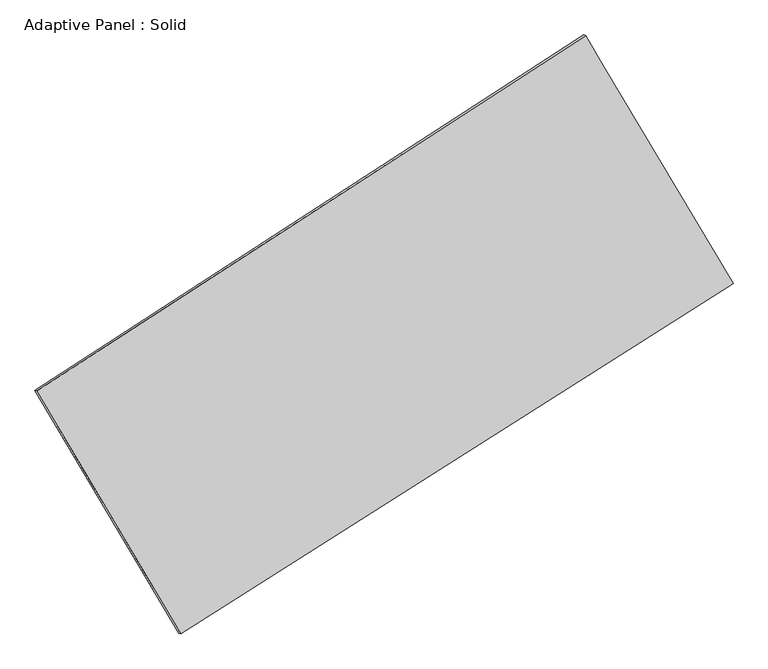
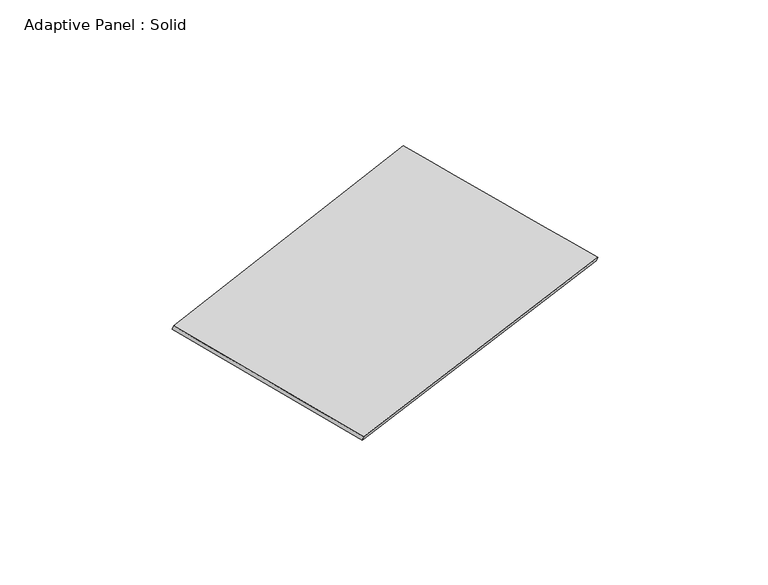
"""IFC4 building model written with IfcOpenShell, lengths in millimetres: plate geometry, Adaptive Panel : Solid."""

from ifc_helpers import new_model, si_unit, frame, origin, place, context, project, spatial, source, transform, mapped, element, save
from ifc_brep_helpers import plane_surface, spline_surface, advanced_brep


def adaptive_panel_solid_495b21f6(model_context):
    return source(origin(), model_context, "Body", "AdvancedBrep", [
        advanced_brep(
        [(1130.7804544, 2556.220488, 672.3195649), (-3720.6702369, -588.2812108, 1761.1662975), (-3706.003881, -594.6613042, 1808.5392055), (1145.4468102, 2549.8403945, 719.6924729), (-2448.1034175, -2733.9786006, 1067.7445363), (-2433.4370617, -2740.3586941, 1115.1174444), (2434.7026219, 365.7907506, -16.1078785), (2449.3689777, 359.4106571, 31.2650295)],
        [
            (0, 1),
            (1, 2),
            (2, 3),
            (3, 0),
            (1, 4),
            (4, 5),
            (5, 2),
            (4, 6),
            (6, 7),
            (7, 5),
            (6, 0),
            (3, 7),
        ],
        [
            plane_surface(frame((-1294.9448912, 983.9696386, 1216.7429312), z_axis=(-0.4828036680600399, 0.8356137838133678, 0.26201187455700825), x_axis=(-0.8246515813381153, -0.534503690417015, 0.18508261487005676))),
            plane_surface(frame((-3084.3868272, -1661.1299057, 1414.4554169), z_axis=(-0.8193284518226482, -0.5442143717575368, 0.18036520065259842), x_axis=(0.4914785966797841, -0.828690742243897, -0.26780672643705045))),
            plane_surface(frame((-6.7003978, -1184.093925, 525.8183289), z_axis=(0.4756044805146204, -0.840231878838769, -0.26040500743551503), x_axis=(0.8298009911004263, 0.5267855530387727, -0.1841936379964981))),
            plane_surface(frame((1782.7415381, 1461.0056193, 328.1058432), z_axis=(0.8192453197938466, 0.5443542776086215, -0.18032062124192616), x_axis=(-0.4938203684045793, 0.8295578117027516, 0.260720694981637))),
            spline_surface(1, 1, [[(-3706.003881, -594.6613042, 1808.5392055), (1145.4468102, 2549.8403945, 719.6924729)], [(-2433.4370617, -2740.3586941, 1115.1174444), (2449.3689777, 359.4106571, 31.2650295)]], [2, 2], [2, 2], [0.0, 1.0], [0.0, 1.0]),
            spline_surface(1, 1, [[(2434.7026219, 365.7907506, -16.1078785), (1130.7804544, 2556.220488, 672.3195649)], [(-2448.1034175, -2733.9786006, 1067.7445363), (-3720.6702369, -588.2812108, 1761.1662975)]], [2, 2], [2, 2], [0.0, 1.0], [0.0, 1.0]),
        ],
        [
            (0, [[1, 2, 3, 4]]),
            (1, [[5, 6, 7, -2]]),
            (2, [[8, 9, 10, -6]]),
            (3, [[11, -4, 12, -9]]),
            (4, [[-3, -7, -10, -12]]),
            (5, [[-11, -8, -5, -1]]),
        ],
    ),
    ])


if __name__ == "__main__":
    model = new_model("IFC4")
    model_context = context("Model", 3, world=origin())
    ifc_project = project(units=[si_unit("LENGTHUNIT", "METRE", prefix="MILLI")], contexts=[model_context])
    site = spatial("IfcSite", under=ifc_project)
    building = spatial("IfcBuilding", under=site)
    placement = place(None, origin())
    adaptive_panel_solid_shape = adaptive_panel_solid_495b21f6(model_context)
    element("IfcPlate", 1, ObjectType="Adaptive Panel : Solid", at=placement, inside=building, context=model_context, shape_type="MappedRepresentation", body=[
        mapped(adaptive_panel_solid_shape, transform((0.0, 0.0, 0.0), x_axis=(1.0, 0.0, 0.0), y_axis=(0.0, 1.0, 0.0), z_axis=(0.0, 0.0, 1.0))),
    ])
    save(model, "model.ifc")
